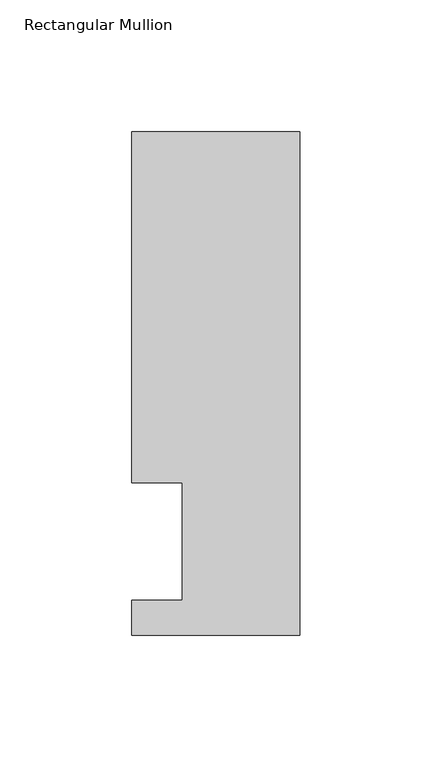
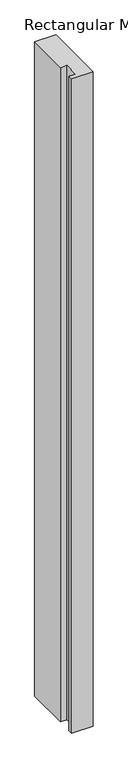
"""IFC4 building model written with IfcOpenShell, lengths in millimetres: member geometry, Rectangular Mullion."""

from ifc_helpers import new_model, si_unit, frame, origin, place, context, project, spatial, polyline, outline, extrude, source, transform, mapped, element, save


def rectangular_mullion_dd5b8d51(model_context):
    return source(origin(), model_context, "Body", "SweptSolid", [
        extrude(outline(polyline([(31.75, 190.5896938), (31.75, 0.0134938), (-31.75, 0.0134938), (-31.75, 13.1960938), (-12.7, 13.1960938), (-12.7, 57.6460937), (-31.75, 57.6460937), (-31.75, 190.5896938), (31.75, 190.5896938)])), frame((0.0, 0.0, -2057.4), z_axis=(0.0, 0.0, 1.0), x_axis=(1.0, 0.0, 0.0)), (0.0, 0.0, 1.0), 2057.4),
    ])


if __name__ == "__main__":
    model = new_model("IFC4")
    model_context = context("Model", 3, world=origin())
    ifc_project = project(units=[si_unit("LENGTHUNIT", "METRE", prefix="MILLI")], contexts=[model_context])
    site = spatial("IfcSite", under=ifc_project)
    building = spatial("IfcBuilding", under=site)
    placement = place(None, origin())
    rectangular_mullion_shape = rectangular_mullion_dd5b8d51(model_context)
    element("IfcMember", 1, ObjectType="Rectangular Mullion", at=placement, inside=building, context=model_context, shape_type="MappedRepresentation", body=[
        mapped(rectangular_mullion_shape, transform((0.0, 0.0, 0.0), x_axis=(1.0, 0.0, 0.0), y_axis=(0.0, 1.0, 0.0), z_axis=(0.0, 0.0, 1.0))),
    ])
    save(model, "model.ifc")
